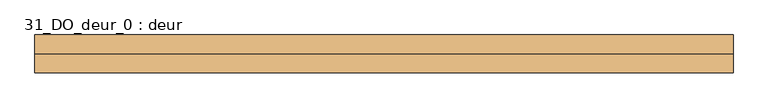
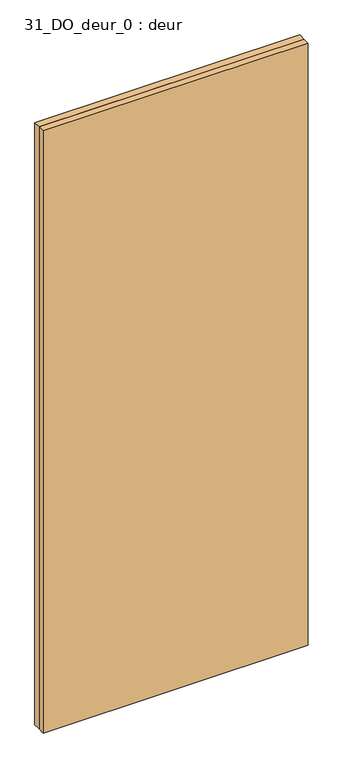
"""IFC4 building model written with IfcOpenShell, lengths in millimetres: door geometry, 31_DO_deur_0 : deur."""

import ifcopenshell
import ifcopenshell.guid

model = None  # the IFC model being written
_history = None  # IfcOwnerHistory: only IFC2X3 demands one
_inside = {}  # id of a spatial element -> (the spatial element, [elements in it])
_under = {}  # id of a project, library or spatial element -> (it, [spatial elements below it])
_declared = {}  # id of a project -> (the project, [libraries it declares])
_typed = {}  # id of a type object -> (the type object, [elements of that type])
_made_of = {}  # id of a material, layer set ... -> (it, [elements and type objects made of it])


def new_model(schema):
    """Start an empty IFC model of exactly this schema.

    Asked for "IFC4X3", IfcOpenShell would pick the latest addendum, in which some entities
    have other attributes; the version numbers below select the first issue.
    IFC2X3 requires an IfcOwnerHistory on every rooted entity: one is made here for all.
    """
    global model, _history
    if schema == "IFC4X3":
        model = ifcopenshell.file(schema_version=(4, 3, 0, 0))
    else:
        model = ifcopenshell.file(schema=schema)
    _inside.clear()
    _under.clear()
    _declared.clear()
    _typed.clear()
    _made_of.clear()
    _history = None
    if model.schema == "IFC2X3":
        org = make("IfcOrganization", Name="unknown")
        user = make(
            "IfcPersonAndOrganization",
            ThePerson=make("IfcPerson", FamilyName="unknown"),
            TheOrganization=org,
        )
        app = make(
            "IfcApplication",
            ApplicationDeveloper=org,
            Version="unknown",
            ApplicationFullName="unknown",
            ApplicationIdentifier="unknown",
        )
        _history = make(
            "IfcOwnerHistory",
            OwningUser=user,
            OwningApplication=app,
            ChangeAction="ADDED",
            CreationDate=0,
        )
    return model


def make(cls, **values):
    """One entity of the class cls with the attributes given. An attribute that is None is left unset."""
    return model.create_entity(
        cls, **{name: value for name, value in values.items() if value is not None}
    )


def rooted(cls, **values):
    """An entity with a GlobalId (a new one), such as an element, a storey or a relation."""
    return make(cls, GlobalId=ifcopenshell.guid.new(), OwnerHistory=_history, **values)


def si_unit(unit_type, name, prefix=None):
    """IfcSIUnit, for example si_unit("LENGTHUNIT", "METRE", prefix="MILLI")."""
    return make("IfcSIUnit", UnitType=unit_type, Prefix=prefix, Name=name)


def assignment(units):
    """IfcUnitAssignment: the units of a project."""
    return None if units is None else make("IfcUnitAssignment", Units=units)


def point(xyz):
    """IfcCartesianPoint."""
    return None if xyz is None else make("IfcCartesianPoint", Coordinates=xyz)


def direction(xyz):
    """IfcDirection."""
    return None if xyz is None else make("IfcDirection", DirectionRatios=xyz)


def frame(location, z_axis=None, x_axis=None):
    """IfcAxis2Placement3D, a coordinate frame: its origin and axes. An axis left out is left unset."""
    return make(
        "IfcAxis2Placement3D",
        Location=point(location),
        Axis=direction(z_axis),
        RefDirection=direction(x_axis),
    )


def origin():
    """The frame at (0, 0, 0) with its axes left unset."""
    return frame((0.0, 0.0, 0.0))


def origin_with_axes():
    """The frame at (0, 0, 0) with the z axis (0, 0, 1) and the x axis (1, 0, 0) written out."""
    return frame((0.0, 0.0, 0.0), z_axis=(0.0, 0.0, 1.0), x_axis=(1.0, 0.0, 0.0))


def place(relative_to, where):
    """IfcLocalPlacement: puts the frame where relative to a parent placement (None: the world)."""
    return make(
        "IfcLocalPlacement", PlacementRelTo=relative_to, RelativePlacement=where
    )


def context(
    kind, dimensions, precision=None, world=None, true_north=None, identifier=None
):
    """IfcGeometricRepresentationContext, for example the 3D "Model" context."""
    return make(
        "IfcGeometricRepresentationContext",
        ContextIdentifier=identifier,
        ContextType=kind,
        CoordinateSpaceDimension=dimensions,
        Precision=precision,
        WorldCoordinateSystem=world,
        TrueNorth=true_north,
    )


def project(units=None, contexts=None):
    """IfcProject with its units and contexts."""
    return rooted(
        "IfcProject",
        Name="project",
        RepresentationContexts=contexts,
        UnitsInContext=assignment(units),
    )


def spatial(cls, under=None, at=None, **own):
    """A site, building, storey or space (cls), placed at a placement, below another one or the project."""
    s = rooted(cls, ObjectPlacement=at, **own)
    if under is not None:
        _under.setdefault(under.id(), (under, []))[1].append(s)
    return s


def polyline(points):
    """IfcPolyline through the points."""
    return make("IfcPolyline", Points=[point(p) for p in points])


def outline(outer, holes=None, kind="AREA"):
    """IfcArbitraryClosedProfileDef: a profile drawn as a closed curve; with holes, ...WithVoids."""
    if holes is None:
        return make("IfcArbitraryClosedProfileDef", ProfileType=kind, OuterCurve=outer)
    return make(
        "IfcArbitraryProfileDefWithVoids",
        ProfileType=kind,
        OuterCurve=outer,
        InnerCurves=holes,
    )


def extrude(swept, where, along, depth):
    """IfcExtrudedAreaSolid: the profile swept, set in the frame where, extruded along a direction by depth."""
    return make(
        "IfcExtrudedAreaSolid",
        SweptArea=swept,
        Position=where,
        ExtrudedDirection=direction(along),
        Depth=depth,
    )


def shape(context_of_items, identifier, shape_type, items):
    """IfcShapeRepresentation: the items that make up one representation, for example the "Body"."""
    return make(
        "IfcShapeRepresentation",
        ContextOfItems=context_of_items,
        RepresentationIdentifier=identifier,
        RepresentationType=shape_type,
        Items=items,
    )


def source(mapping_origin, context_of_items, identifier, shape_type, items):
    """IfcRepresentationMap: a shape defined once, which mapped items show again and again."""
    return make(
        "IfcRepresentationMap",
        MappingOrigin=mapping_origin,
        MappedRepresentation=shape(context_of_items, identifier, shape_type, items),
    )


def transform(
    local_origin,
    x_axis=None,
    y_axis=None,
    z_axis=None,
    scale=None,
    scale2=None,
    scale3=None,
    uniform=True,
):
    """IfcCartesianTransformationOperator3D, or its non-uniform kind. x_axis, y_axis, z_axis: its Axis1, 2, 3."""
    if uniform:
        return make(
            "IfcCartesianTransformationOperator3D",
            Axis1=direction(x_axis),
            Axis2=direction(y_axis),
            LocalOrigin=point(local_origin),
            Scale=scale,
            Axis3=direction(z_axis),
        )
    return make(
        "IfcCartesianTransformationOperator3DnonUniform",
        Axis1=direction(x_axis),
        Axis2=direction(y_axis),
        LocalOrigin=point(local_origin),
        Scale=scale,
        Axis3=direction(z_axis),
        Scale2=scale2,
        Scale3=scale3,
    )


def mapped(mapping_source, mapping_target):
    """IfcMappedItem: shows the shape of a source again, moved by a transform."""
    return make(
        "IfcMappedItem", MappingSource=mapping_source, MappingTarget=mapping_target
    )


def made_of(thing, what):
    """Note that an element or type object is made of a material, layer set ...; save() writes the relation."""
    if what is not None:
        _made_of.setdefault(what.id(), (what, []))[1].append(thing)
    return thing


def element(
    cls,
    number,
    at=None,
    inside=None,
    cuts=None,
    type_object=None,
    material=None,
    context=None,
    identifier="Body",
    shape_type=None,
    held_by="IfcProductDefinitionShape",
    body=None,
    shapes=None,
    **own,
):
    """One element of the class cls, such as IfcWall. Its Tag is "e" and its number.

    at: its placement. inside: the storey or other place that contains it. cuts: it is an
    opening in that element (IfcRelVoidsElement). A single representation is given by context,
    identifier, shape_type and body (its items); several are given by shapes. held_by: the class
    of the entity that holds the representations. save() writes the other relations.
    """
    e = rooted(cls, Tag="e%d" % number, ObjectPlacement=at, **own)
    if body is not None:
        shapes = [shape(context, identifier, shape_type, body)]
    if shapes is not None:
        e.Representation = make(held_by, Representations=shapes)
    if inside is not None:
        _inside.setdefault(inside.id(), (inside, []))[1].append(e)
    if cuts is not None:
        rooted(
            "IfcRelVoidsElement", RelatingBuildingElement=cuts, RelatedOpeningElement=e
        )
    if type_object is not None:
        _typed.setdefault(type_object.id(), (type_object, []))[1].append(e)
    return made_of(e, material)


def aggregate(whole, parts):
    """IfcRelAggregates: a whole, such as a stair, and the parts it consists of."""
    return rooted("IfcRelAggregates", RelatingObject=whole, RelatedObjects=parts)


def save(model, path):
    """Write the relations noted so far, then the file.

    IfcRelAggregates (storeys below a building ...), IfcRelContainedInSpatialStructure (elements
    in a storey), IfcRelDefinesByType, IfcRelAssociatesMaterial and IfcRelDeclares: one each for
    every whole, place, type object, material and project.
    """
    for whole, parts in _under.values():
        aggregate(whole, parts)
    for where, things in _inside.values():
        rooted(
            "IfcRelContainedInSpatialStructure",
            RelatedElements=things,
            RelatingStructure=where,
        )
    for kind, things in _typed.values():
        rooted("IfcRelDefinesByType", RelatedObjects=things, RelatingType=kind)
    for what, things in _made_of.values():
        rooted("IfcRelAssociatesMaterial", RelatedObjects=things, RelatingMaterial=what)
    for by, libraries in _declared.values():
        rooted("IfcRelDeclares", RelatingContext=by, RelatedDefinitions=libraries)
    model.write(path)


def door_31_do_deur_0_deur_4e0b2e68(model_context):
    return source(origin(), model_context, "Body", "SweptSolid", [
        extrude(outline(polyline([(499.75, 57.0), (-499.75, 57.0), (-499.75, 84.0), (499.75, 84.0), (499.75, 57.0)])), origin_with_axes(), (0.0, 0.0, 1.0), 2399.5),
        extrude(outline(polyline([(499.75, 30.0), (-499.75, 30.0), (-499.75, 57.0), (499.75, 57.0), (499.75, 30.0)])), origin_with_axes(), (0.0, 0.0, 1.0), 2399.5),
    ])


if __name__ == "__main__":
    model = new_model("IFC4")
    model_context = context("Model", 3, world=origin())
    ifc_project = project(units=[si_unit("LENGTHUNIT", "METRE", prefix="MILLI")], contexts=[model_context])
    site = spatial("IfcSite", under=ifc_project)
    building = spatial("IfcBuilding", under=site)
    placement = place(None, origin())
    door_31_do_deur_0_deur_shape = door_31_do_deur_0_deur_4e0b2e68(model_context)
    element("IfcDoor", 1, ObjectType="31_DO_deur_0 : deur", at=placement, inside=building, context=model_context, shape_type="MappedRepresentation", body=[
        mapped(door_31_do_deur_0_deur_shape, transform((0.0, 0.0, 0.0), x_axis=(1.0, 0.0, 0.0), y_axis=(0.0, 1.0, 0.0), z_axis=(0.0, 0.0, 1.0))),
    ])
    save(model, "model.ifc")
